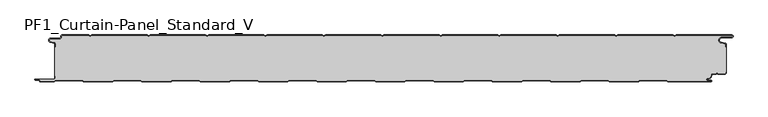
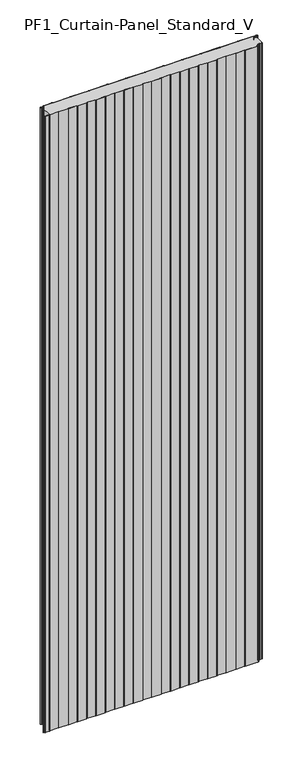
"""IFC4 building model written with IfcOpenShell, lengths in millimetres: plate geometry, PF1_Curtain-Panel_Standard_V."""

import ifcopenshell
import ifcopenshell.guid

model = None  # the IFC model being written
_history = None  # IfcOwnerHistory: only IFC2X3 demands one
_inside = {}  # id of a spatial element -> (the spatial element, [elements in it])
_under = {}  # id of a project, library or spatial element -> (it, [spatial elements below it])
_declared = {}  # id of a project -> (the project, [libraries it declares])
_typed = {}  # id of a type object -> (the type object, [elements of that type])
_made_of = {}  # id of a material, layer set ... -> (it, [elements and type objects made of it])


def new_model(schema):
    """Start an empty IFC model of exactly this schema.

    Asked for "IFC4X3", IfcOpenShell would pick the latest addendum, in which some entities
    have other attributes; the version numbers below select the first issue.
    IFC2X3 requires an IfcOwnerHistory on every rooted entity: one is made here for all.
    """
    global model, _history
    if schema == "IFC4X3":
        model = ifcopenshell.file(schema_version=(4, 3, 0, 0))
    else:
        model = ifcopenshell.file(schema=schema)
    _inside.clear()
    _under.clear()
    _declared.clear()
    _typed.clear()
    _made_of.clear()
    _history = None
    if model.schema == "IFC2X3":
        org = make("IfcOrganization", Name="unknown")
        user = make(
            "IfcPersonAndOrganization",
            ThePerson=make("IfcPerson", FamilyName="unknown"),
            TheOrganization=org,
        )
        app = make(
            "IfcApplication",
            ApplicationDeveloper=org,
            Version="unknown",
            ApplicationFullName="unknown",
            ApplicationIdentifier="unknown",
        )
        _history = make(
            "IfcOwnerHistory",
            OwningUser=user,
            OwningApplication=app,
            ChangeAction="ADDED",
            CreationDate=0,
        )
    return model


def make(cls, **values):
    """One entity of the class cls with the attributes given. An attribute that is None is left unset."""
    return model.create_entity(
        cls, **{name: value for name, value in values.items() if value is not None}
    )


def rooted(cls, **values):
    """An entity with a GlobalId (a new one), such as an element, a storey or a relation."""
    return make(cls, GlobalId=ifcopenshell.guid.new(), OwnerHistory=_history, **values)


def si_unit(unit_type, name, prefix=None):
    """IfcSIUnit, for example si_unit("LENGTHUNIT", "METRE", prefix="MILLI")."""
    return make("IfcSIUnit", UnitType=unit_type, Prefix=prefix, Name=name)


def assignment(units):
    """IfcUnitAssignment: the units of a project."""
    return None if units is None else make("IfcUnitAssignment", Units=units)


def point(xyz):
    """IfcCartesianPoint."""
    return None if xyz is None else make("IfcCartesianPoint", Coordinates=xyz)


def direction(xyz):
    """IfcDirection."""
    return None if xyz is None else make("IfcDirection", DirectionRatios=xyz)


def frame(location, z_axis=None, x_axis=None):
    """IfcAxis2Placement3D, a coordinate frame: its origin and axes. An axis left out is left unset."""
    return make(
        "IfcAxis2Placement3D",
        Location=point(location),
        Axis=direction(z_axis),
        RefDirection=direction(x_axis),
    )


def frame_2d(location, x_axis=None):
    """IfcAxis2Placement2D, a coordinate frame in the plane: its origin and x axis."""
    return make(
        "IfcAxis2Placement2D", Location=point(location), RefDirection=direction(x_axis)
    )


def origin():
    """The frame at (0, 0, 0) with its axes left unset."""
    return frame((0.0, 0.0, 0.0))


def origin_with_axes():
    """The frame at (0, 0, 0) with the z axis (0, 0, 1) and the x axis (1, 0, 0) written out."""
    return frame((0.0, 0.0, 0.0), z_axis=(0.0, 0.0, 1.0), x_axis=(1.0, 0.0, 0.0))


def place(relative_to, where):
    """IfcLocalPlacement: puts the frame where relative to a parent placement (None: the world)."""
    return make(
        "IfcLocalPlacement", PlacementRelTo=relative_to, RelativePlacement=where
    )


def context(
    kind, dimensions, precision=None, world=None, true_north=None, identifier=None
):
    """IfcGeometricRepresentationContext, for example the 3D "Model" context."""
    return make(
        "IfcGeometricRepresentationContext",
        ContextIdentifier=identifier,
        ContextType=kind,
        CoordinateSpaceDimension=dimensions,
        Precision=precision,
        WorldCoordinateSystem=world,
        TrueNorth=true_north,
    )


def project(units=None, contexts=None):
    """IfcProject with its units and contexts."""
    return rooted(
        "IfcProject",
        Name="project",
        RepresentationContexts=contexts,
        UnitsInContext=assignment(units),
    )


def spatial(cls, under=None, at=None, **own):
    """A site, building, storey or space (cls), placed at a placement, below another one or the project."""
    s = rooted(cls, ObjectPlacement=at, **own)
    if under is not None:
        _under.setdefault(under.id(), (under, []))[1].append(s)
    return s


def polyline(points):
    """IfcPolyline through the points."""
    return make("IfcPolyline", Points=[point(p) for p in points])


def circle_curve(where, radius):
    """IfcCircle in the frame where."""
    return make("IfcCircle", Position=where, Radius=radius)


def trimmed(basis, trim1, trim2, sense, master):
    """IfcTrimmedCurve: the piece of a basis curve between two trims."""
    return make(
        "IfcTrimmedCurve",
        BasisCurve=basis,
        Trim1=trim1,
        Trim2=trim2,
        SenseAgreement=sense,
        MasterRepresentation=master,
    )


def segment(curve, same_sense, transition):
    """IfcCompositeCurveSegment."""
    return make(
        "IfcCompositeCurveSegment",
        Transition=transition,
        SameSense=same_sense,
        ParentCurve=curve,
    )


def composite_curve(segments, self_intersect=None):
    """IfcCompositeCurve: segments joined end to end."""
    return make("IfcCompositeCurve", Segments=segments, SelfIntersect=self_intersect)


def outline(outer, holes=None, kind="AREA"):
    """IfcArbitraryClosedProfileDef: a profile drawn as a closed curve; with holes, ...WithVoids."""
    if holes is None:
        return make("IfcArbitraryClosedProfileDef", ProfileType=kind, OuterCurve=outer)
    return make(
        "IfcArbitraryProfileDefWithVoids",
        ProfileType=kind,
        OuterCurve=outer,
        InnerCurves=holes,
    )


def extrude(swept, where, along, depth):
    """IfcExtrudedAreaSolid: the profile swept, set in the frame where, extruded along a direction by depth."""
    return make(
        "IfcExtrudedAreaSolid",
        SweptArea=swept,
        Position=where,
        ExtrudedDirection=direction(along),
        Depth=depth,
    )


def shape(context_of_items, identifier, shape_type, items):
    """IfcShapeRepresentation: the items that make up one representation, for example the "Body"."""
    return make(
        "IfcShapeRepresentation",
        ContextOfItems=context_of_items,
        RepresentationIdentifier=identifier,
        RepresentationType=shape_type,
        Items=items,
    )


def source(mapping_origin, context_of_items, identifier, shape_type, items):
    """IfcRepresentationMap: a shape defined once, which mapped items show again and again."""
    return make(
        "IfcRepresentationMap",
        MappingOrigin=mapping_origin,
        MappedRepresentation=shape(context_of_items, identifier, shape_type, items),
    )


def transform(
    local_origin,
    x_axis=None,
    y_axis=None,
    z_axis=None,
    scale=None,
    scale2=None,
    scale3=None,
    uniform=True,
):
    """IfcCartesianTransformationOperator3D, or its non-uniform kind. x_axis, y_axis, z_axis: its Axis1, 2, 3."""
    if uniform:
        return make(
            "IfcCartesianTransformationOperator3D",
            Axis1=direction(x_axis),
            Axis2=direction(y_axis),
            LocalOrigin=point(local_origin),
            Scale=scale,
            Axis3=direction(z_axis),
        )
    return make(
        "IfcCartesianTransformationOperator3DnonUniform",
        Axis1=direction(x_axis),
        Axis2=direction(y_axis),
        LocalOrigin=point(local_origin),
        Scale=scale,
        Axis3=direction(z_axis),
        Scale2=scale2,
        Scale3=scale3,
    )


def mapped(mapping_source, mapping_target):
    """IfcMappedItem: shows the shape of a source again, moved by a transform."""
    return make(
        "IfcMappedItem", MappingSource=mapping_source, MappingTarget=mapping_target
    )


def made_of(thing, what):
    """Note that an element or type object is made of a material, layer set ...; save() writes the relation."""
    if what is not None:
        _made_of.setdefault(what.id(), (what, []))[1].append(thing)
    return thing


def element(
    cls,
    number,
    at=None,
    inside=None,
    cuts=None,
    type_object=None,
    material=None,
    context=None,
    identifier="Body",
    shape_type=None,
    held_by="IfcProductDefinitionShape",
    body=None,
    shapes=None,
    **own,
):
    """One element of the class cls, such as IfcWall. Its Tag is "e" and its number.

    at: its placement. inside: the storey or other place that contains it. cuts: it is an
    opening in that element (IfcRelVoidsElement). A single representation is given by context,
    identifier, shape_type and body (its items); several are given by shapes. held_by: the class
    of the entity that holds the representations. save() writes the other relations.
    """
    e = rooted(cls, Tag="e%d" % number, ObjectPlacement=at, **own)
    if body is not None:
        shapes = [shape(context, identifier, shape_type, body)]
    if shapes is not None:
        e.Representation = make(held_by, Representations=shapes)
    if inside is not None:
        _inside.setdefault(inside.id(), (inside, []))[1].append(e)
    if cuts is not None:
        rooted(
            "IfcRelVoidsElement", RelatingBuildingElement=cuts, RelatedOpeningElement=e
        )
    if type_object is not None:
        _typed.setdefault(type_object.id(), (type_object, []))[1].append(e)
    return made_of(e, material)


def aggregate(whole, parts):
    """IfcRelAggregates: a whole, such as a stair, and the parts it consists of."""
    return rooted("IfcRelAggregates", RelatingObject=whole, RelatedObjects=parts)


def save(model, path):
    """Write the relations noted so far, then the file.

    IfcRelAggregates (storeys below a building ...), IfcRelContainedInSpatialStructure (elements
    in a storey), IfcRelDefinesByType, IfcRelAssociatesMaterial and IfcRelDeclares: one each for
    every whole, place, type object, material and project.
    """
    for whole, parts in _under.values():
        aggregate(whole, parts)
    for where, things in _inside.values():
        rooted(
            "IfcRelContainedInSpatialStructure",
            RelatedElements=things,
            RelatingStructure=where,
        )
    for kind, things in _typed.values():
        rooted("IfcRelDefinesByType", RelatedObjects=things, RelatingType=kind)
    for what, things in _made_of.values():
        rooted("IfcRelAssociatesMaterial", RelatedObjects=things, RelatingMaterial=what)
    for by, libraries in _declared.values():
        rooted("IfcRelDeclares", RelatingContext=by, RelatedDefinitions=libraries)
    model.write(path)


def pf1_curtain_panel_standard_v_10361d5f(model_context):
    return source(origin(), model_context, "Body", "SweptSolid", [
        extrude(outline(composite_curve([segment(trimmed(circle_curve(frame_2d((-577.0, -15.878557)), 2.0), [point((-575.0, -15.878557))], [point((-576.5500978, -13.9298169))], True, "CARTESIAN"), True, "CONTINUOUS"), segment(polyline([(-576.5500978, -13.9298169), (-582.7098239, -12.507732)]), True, "CONTINUOUS"), segment(trimmed(circle_curve(frame_2d((-581.9, -9.0)), 3.6), [point((-582.7098239, -12.507732))], [point((-581.9, -5.4))], False, "CARTESIAN"), True, "CONTINUOUS"), segment(polyline([(-581.9, -5.4), (-566.4, -5.4)]), True, "CONTINUOUS"), segment(trimmed(circle_curve(frame_2d((-566.4, -3.4)), 2.0), [point((-566.4, -5.4))], [point((-564.4, -3.4))], True, "CARTESIAN"), True, "CONTINUOUS"), segment(polyline([(-564.4, -3.4), (-564.4, -2.0)]), True, "CONTINUOUS"), segment(trimmed(circle_curve(frame_2d((-562.4, -2.0)), 2.0), [point((-564.4, -2.0))], [point((-562.4, 0.0))], False, "CARTESIAN"), True, "CONTINUOUS"), segment(polyline([(-562.4, 0.0), (-517.0999995, 0.0), (-514.4, -1.5588455), (-511.7000005, 0.0), (-417.0999995, 0.0), (-414.4, -1.5588455), (-411.7000005, 0.0), (-317.0999995, 0.0), (-314.4, -1.5588455), (-311.7000005, 0.0), (-217.0999995, 0.0), (-214.4, -1.5588455), (-211.7000005, 0.0), (-117.0999995, 0.0), (-114.4, -1.5588455), (-111.7000005, 0.0), (-17.0999995, 0.0), (-14.4, -1.5588455), (-11.7000005, 0.0), (82.9000005, 0.0), (85.6, -1.5588455), (88.2999995, 0.0), (182.9000005, 0.0), (185.6, -1.5588455), (188.2999995, 0.0), (282.9000005, 0.0), (285.6, -1.5588455), (288.2999995, 0.0), (382.9000005, 0.0), (385.6, -1.5588455), (388.2999995, 0.0), (482.9000005, 0.0), (485.6, -1.5588455), (488.2999995, 0.0), (583.268846, 0.0)]), True, "CONTINUOUS"), segment(trimmed(circle_curve(frame_2d((583.268846, -2.5)), 2.5), [point((583.268846, 0.0))], [point((583.268846, -5.0))], False, "CARTESIAN"), True, "CONTINUOUS"), segment(polyline([(583.268846, -5.0), (566.268846, -5.0)]), True, "CONTINUOUS"), segment(trimmed(circle_curve(frame_2d((566.268846, -9.0)), 4.0), [point((566.268846, -5.0))], [point((565.574253, -12.939231))], True, "CARTESIAN"), True, "CONTINUOUS"), segment(polyline([(565.574253, -12.939231), (572.0203315, -14.0758491)]), True, "CONTINUOUS"), segment(trimmed(circle_curve(frame_2d((571.568846, -16.6363492)), 2.6), [point((572.0203315, -14.0758491))], [point((574.168846, -16.6363492))], False, "CARTESIAN"), True, "CONTINUOUS"), segment(polyline([(574.168846, -16.6363492), (574.168846, -20.0), (573.368846, -20.0), (573.368846, -16.6363492)]), True, "CONTINUOUS"), segment(trimmed(circle_curve(frame_2d((571.568846, -16.6363492)), 1.8), [point((573.368846, -16.6363492))], [point((571.8814129, -14.8636953))], True, "CARTESIAN"), True, "CONTINUOUS"), segment(polyline([(571.8814129, -14.8636953), (565.4353344, -13.7270772)]), True, "CONTINUOUS"), segment(trimmed(circle_curve(frame_2d((566.268846, -9.0)), 4.8), [point((565.4353344, -13.7270772))], [point((566.268846, -4.2))], False, "CARTESIAN"), True, "CONTINUOUS"), segment(polyline([(566.268846, -4.2), (583.268846, -4.2)]), True, "CONTINUOUS"), segment(trimmed(circle_curve(frame_2d((583.268846, -2.5)), 1.7), [point((583.268846, -4.2))], [point((583.268846, -0.8))], True, "CARTESIAN"), True, "CONTINUOUS"), segment(polyline([(583.268846, -0.8), (488.5143588, -0.8), (485.6, -2.482606), (482.6856412, -0.8), (388.5143588, -0.8), (385.6, -2.482606), (382.6856412, -0.8), (288.5143588, -0.8), (285.6, -2.482606), (282.6856412, -0.8), (188.5143588, -0.8), (185.6, -2.482606), (182.6856412, -0.8), (88.5143588, -0.8), (85.6, -2.482606), (82.6856412, -0.8), (-11.4856412, -0.8), (-14.4, -2.482606), (-17.3143588, -0.8), (-111.4856412, -0.8), (-114.4, -2.482606), (-117.3143588, -0.8), (-211.4856412, -0.8), (-214.4, -2.482606), (-217.3143588, -0.8), (-311.4856412, -0.8), (-314.4, -2.482606), (-317.3143588, -0.8), (-411.4856412, -0.8), (-414.4, -2.482606), (-417.3143588, -0.8), (-511.4856412, -0.8), (-514.4, -2.482606), (-517.3143588, -0.8), (-562.4, -0.8)]), True, "CONTINUOUS"), segment(trimmed(circle_curve(frame_2d((-562.4, -2.0)), 1.2), [point((-562.4, -0.8))], [point((-563.6, -2.0))], True, "CARTESIAN"), True, "CONTINUOUS"), segment(polyline([(-563.6, -2.0), (-563.6, -3.4)]), True, "CONTINUOUS"), segment(trimmed(circle_curve(frame_2d((-566.4, -3.4)), 2.8), [point((-563.6, -3.4))], [point((-566.4, -6.2))], False, "CARTESIAN"), True, "CONTINUOUS"), segment(polyline([(-566.4, -6.2), (-581.9, -6.2)]), True, "CONTINUOUS"), segment(trimmed(circle_curve(frame_2d((-581.9, -9.0)), 2.8), [point((-581.9, -6.2))], [point((-582.529863, -11.7282362))], True, "CARTESIAN"), True, "CONTINUOUS"), segment(polyline([(-582.529863, -11.7282362), (-576.370137, -13.150321)]), True, "CONTINUOUS"), segment(trimmed(circle_curve(frame_2d((-577.0, -15.878557)), 2.8), [point((-576.370137, -13.150321))], [point((-574.2, -15.878557))], False, "CARTESIAN"), True, "CONTINUOUS"), segment(polyline([(-574.2, -15.878557), (-574.2, -20.0), (-575.0, -20.0), (-575.0, -15.878557)]), True, "CONTINUOUS")], self_intersect=False)), origin_with_axes(), (0.0, 0.0, 1.0), 3500.0),
        extrude(outline(composite_curve([segment(polyline([(-574.2, -70.0), (-575.0, -70.0), (-575.0, -20.0), (-574.2, -20.0), (-574.2, -15.878557)]), True, "CONTINUOUS"), segment(trimmed(circle_curve(frame_2d((-577.0, -15.878557)), 2.8), [point((-574.2, -15.878557))], [point((-576.370137, -13.1503208))], True, "CARTESIAN"), True, "CONTINUOUS"), segment(polyline([(-576.370137, -13.1503208), (-582.529863, -11.7282362)]), True, "CONTINUOUS"), segment(trimmed(circle_curve(frame_2d((-581.9, -9.0)), 2.8), [point((-582.529863, -11.7282362))], [point((-581.9, -6.2))], False, "CARTESIAN"), True, "CONTINUOUS"), segment(polyline([(-581.9, -6.2), (-566.4, -6.2)]), True, "CONTINUOUS"), segment(trimmed(circle_curve(frame_2d((-566.4, -3.4)), 2.8), [point((-566.4, -6.2))], [point((-563.6, -3.4))], True, "CARTESIAN"), True, "CONTINUOUS"), segment(polyline([(-563.6, -3.4), (-563.6, -2.0)]), True, "CONTINUOUS"), segment(trimmed(circle_curve(frame_2d((-562.4, -2.0)), 1.2), [point((-563.6, -2.0))], [point((-562.4, -0.8))], False, "CARTESIAN"), True, "CONTINUOUS"), segment(polyline([(-562.4, -0.8), (-517.3143588, -0.8), (-514.4, -2.482606), (-511.4856412, -0.8), (-417.3143588, -0.8), (-414.4, -2.482606), (-411.4856412, -0.8), (-317.3143588, -0.8), (-314.4, -2.482606), (-311.4856412, -0.8), (-217.3143588, -0.8), (-214.4, -2.482606), (-211.4856412, -0.8), (-117.3143588, -0.8), (-114.4, -2.482606), (-111.4856412, -0.8), (-17.3143588, -0.8), (-14.4, -2.482606), (-11.4856412, -0.8), (82.6856412, -0.8), (85.6, -2.482606), (88.5143588, -0.8), (182.6856412, -0.8), (185.6, -2.482606), (188.5143588, -0.8), (282.6856412, -0.8), (285.6, -2.482606), (288.5143588, -0.8), (382.6856412, -0.8), (385.6, -2.482606), (388.5143588, -0.8), (482.6856412, -0.8), (485.6, -2.482606), (488.5143588, -0.8), (583.268846, -0.8)]), True, "CONTINUOUS"), segment(trimmed(circle_curve(frame_2d((583.268846, -2.5)), 1.7), [point((583.268846, -0.8))], [point((583.268846, -4.2))], False, "CARTESIAN"), True, "CONTINUOUS"), segment(polyline([(583.268846, -4.2), (566.268846, -4.2)]), True, "CONTINUOUS"), segment(trimmed(circle_curve(frame_2d((566.268846, -9.0)), 4.8), [point((566.268846, -4.2))], [point((565.4353344, -13.7270772))], True, "CARTESIAN"), True, "CONTINUOUS"), segment(polyline([(565.4353344, -13.7270772), (571.8814129, -14.8636953)]), True, "CONTINUOUS"), segment(trimmed(circle_curve(frame_2d((571.568846, -16.6363492)), 1.8), [point((571.8814129, -14.8636953))], [point((573.368846, -16.6363492))], False, "CARTESIAN"), True, "CONTINUOUS"), segment(polyline([(573.368846, -16.6363492), (573.368846, -20.0), (574.168846, -20.0), (574.168846, -63.0), (573.368846, -63.0), (573.368846, -64.4)]), True, "CONTINUOUS"), segment(trimmed(circle_curve(frame_2d((571.568846, -64.4)), 1.8), [point((573.368846, -64.4))], [point((571.568846, -66.2))], False, "CARTESIAN"), True, "CONTINUOUS"), segment(polyline([(571.568846, -66.2), (560.0002158, -66.2), (558.168846, -64.3686285), (556.3374762, -66.2), (550.168846, -66.2)]), True, "CONTINUOUS"), segment(trimmed(circle_curve(frame_2d((550.168846, -68.0)), 1.8), [point((550.168846, -66.2))], [point((548.368846, -68.0))], True, "CARTESIAN"), True, "CONTINUOUS"), segment(polyline([(548.368846, -68.0), (548.368846, -68.8276204)]), True, "CONTINUOUS"), segment(trimmed(circle_curve(frame_2d((542.9964664, -68.8276204)), 5.3723796), [point((548.368846, -68.8276204))], [point((542.9964664, -74.2))], False, "CARTESIAN"), True, "CONTINUOUS"), segment(polyline([(542.9964664, -74.2), (542.168846, -74.2)]), True, "CONTINUOUS"), segment(trimmed(circle_curve(frame_2d((542.168846, -76.4)), 2.2), [point((542.168846, -74.2))], [point((542.168846, -78.6))], True, "CARTESIAN"), True, "CONTINUOUS"), segment(polyline([(542.168846, -78.6), (548.0579973, -78.6)]), True, "CONTINUOUS"), segment(trimmed(circle_curve(frame_2d((548.0579973, -78.9)), 0.3), [point((548.0579973, -78.6))], [point((548.0579973, -79.2))], False, "CARTESIAN"), True, "CONTINUOUS"), segment(polyline([(548.0579973, -79.2), (474.2152562, -79.2), (471.6171786, -77.7), (426.3884624, -77.7), (423.7903848, -79.2), (374.2152562, -79.2), (371.6171786, -77.7), (326.3884624, -77.7), (323.7903848, -79.2), (274.2152562, -79.2), (271.6171786, -77.7), (226.3884624, -77.7), (223.7903848, -79.2), (174.2152562, -79.2), (171.6171786, -77.7), (126.3884624, -77.7), (123.7903848, -79.2), (74.2152562, -79.2), (71.6171786, -77.7), (26.3884624, -77.7), (23.7903848, -79.2), (-25.7847438, -79.2), (-28.3828214, -77.7), (-73.6115376, -77.7), (-76.2096152, -79.2), (-125.7847438, -79.2), (-128.3828214, -77.7), (-173.6115376, -77.7), (-176.2096152, -79.2), (-225.7847438, -79.2), (-228.3828214, -77.7), (-273.6115376, -77.7), (-276.2096152, -79.2), (-325.7847438, -79.2), (-328.3828214, -77.7), (-373.6115376, -77.7), (-376.2096152, -79.2), (-425.7847438, -79.2), (-428.3828214, -77.7), (-473.6115376, -77.7), (-476.2096152, -79.2), (-525.7847438, -79.2), (-528.3828214, -77.7), (-573.6115376, -77.7), (-576.2096152, -79.2), (-599.4, -79.2)]), True, "CONTINUOUS"), segment(trimmed(circle_curve(frame_2d((-599.4, -78.4)), 0.8), [point((-599.4, -79.2))], [point((-600.2, -78.4))], False, "CARTESIAN"), True, "CONTINUOUS"), segment(trimmed(circle_curve(frame_2d((-601.9, -78.6133333)), 1.7133333), [point((-600.2, -78.4))], [point((-601.9, -76.9))], True, "CARTESIAN"), True, "CONTINUOUS"), segment(polyline([(-601.9, -76.9), (-607.8700312, -76.9)]), True, "CONTINUOUS"), segment(trimmed(circle_curve(frame_2d((-607.8700312, -76.6)), 0.3), [point((-607.8700312, -76.9))], [point((-607.8700312, -76.3))], False, "CARTESIAN"), True, "CONTINUOUS"), segment(polyline([(-607.8700312, -76.3), (-577.0, -76.3)]), True, "CONTINUOUS"), segment(trimmed(circle_curve(frame_2d((-577.0, -73.5)), 2.8), [point((-577.0, -76.3))], [point((-574.2, -73.5))], True, "CARTESIAN"), True, "CONTINUOUS"), segment(polyline([(-574.2, -73.5), (-574.2, -70.0)]), True, "CONTINUOUS")], self_intersect=False)), origin_with_axes(), (0.0, 0.0, 1.0), 3500.0),
        extrude(outline(composite_curve([segment(polyline([(-575.0, -70.0), (-574.2, -70.0), (-574.2, -73.5)]), True, "CONTINUOUS"), segment(trimmed(circle_curve(frame_2d((-577.0, -73.5)), 2.8), [point((-574.2, -73.5))], [point((-577.0, -76.3))], False, "CARTESIAN"), True, "CONTINUOUS"), segment(polyline([(-577.0, -76.3), (-607.8700312, -76.3)]), True, "CONTINUOUS"), segment(trimmed(circle_curve(frame_2d((-607.8700312, -76.6)), 0.3), [point((-607.8700312, -76.3))], [point((-607.8700312, -76.9))], True, "CARTESIAN"), True, "CONTINUOUS"), segment(polyline([(-607.8700312, -76.9), (-601.9, -76.9)]), True, "CONTINUOUS"), segment(trimmed(circle_curve(frame_2d((-601.9, -78.6133333)), 1.7133333), [point((-601.9, -76.9))], [point((-600.2, -78.4))], False, "CARTESIAN"), True, "CONTINUOUS"), segment(trimmed(circle_curve(frame_2d((-599.4, -78.4)), 0.8), [point((-600.2, -78.4))], [point((-599.4, -79.2))], True, "CARTESIAN"), True, "CONTINUOUS"), segment(polyline([(-599.4, -79.2), (-576.2096152, -79.2), (-573.6115376, -77.7), (-528.3828214, -77.7), (-525.7847438, -79.2), (-476.2096152, -79.2), (-473.6115376, -77.7), (-428.3828214, -77.7), (-425.7847438, -79.2), (-376.2096152, -79.2), (-373.6115376, -77.7), (-328.3828214, -77.7), (-325.7847438, -79.2), (-276.2096152, -79.2), (-273.6115376, -77.7), (-228.3828214, -77.7), (-225.7847438, -79.2), (-176.2096152, -79.2), (-173.6115376, -77.7), (-128.3828214, -77.7), (-125.7847438, -79.2), (-76.2096152, -79.2), (-73.6115376, -77.7), (-28.3828214, -77.7), (-25.7847438, -79.2), (23.7903848, -79.2), (26.3884624, -77.7), (71.6171786, -77.7), (74.2152562, -79.2), (123.7903848, -79.2), (126.3884624, -77.7), (171.6171786, -77.7), (174.2152562, -79.2), (223.7903848, -79.2), (226.3884624, -77.7), (271.6171786, -77.7), (274.2152562, -79.2), (323.7903848, -79.2), (326.3884624, -77.7), (371.6171786, -77.7), (374.2152562, -79.2), (423.7903848, -79.2), (426.3884624, -77.7), (471.6171786, -77.7), (474.2152562, -79.2), (548.0579973, -79.2)]), True, "CONTINUOUS"), segment(trimmed(circle_curve(frame_2d((548.0579973, -78.9)), 0.3), [point((548.0579973, -79.2))], [point((548.0579973, -78.6))], True, "CARTESIAN"), True, "CONTINUOUS"), segment(polyline([(548.0579973, -78.6), (542.168846, -78.6)]), True, "CONTINUOUS"), segment(trimmed(circle_curve(frame_2d((542.168846, -76.4)), 2.2), [point((542.168846, -78.6))], [point((542.168846, -74.2))], False, "CARTESIAN"), True, "CONTINUOUS"), segment(polyline([(542.168846, -74.2), (542.9964664, -74.2)]), True, "CONTINUOUS"), segment(trimmed(circle_curve(frame_2d((542.9964664, -68.8276204)), 5.3723796), [point((542.9964664, -74.2))], [point((548.368846, -68.8276204))], True, "CARTESIAN"), True, "CONTINUOUS"), segment(polyline([(548.368846, -68.8276204), (548.368846, -68.0)]), True, "CONTINUOUS"), segment(trimmed(circle_curve(frame_2d((550.168846, -68.0)), 1.8), [point((548.368846, -68.0))], [point((550.168846, -66.2))], False, "CARTESIAN"), True, "CONTINUOUS"), segment(polyline([(550.168846, -66.2), (556.3374762, -66.2), (558.168846, -64.3686285), (560.0002158, -66.2), (571.568846, -66.2)]), True, "CONTINUOUS"), segment(trimmed(circle_curve(frame_2d((571.568846, -64.4)), 1.8), [point((571.568846, -66.2))], [point((573.368846, -64.4))], True, "CARTESIAN"), True, "CONTINUOUS"), segment(polyline([(573.368846, -64.4), (573.368846, -63.0), (574.168846, -63.0), (574.168846, -64.4)]), True, "CONTINUOUS"), segment(trimmed(circle_curve(frame_2d((571.568846, -64.4)), 2.6), [point((574.168846, -64.4))], [point((571.568846, -67.0))], False, "CARTESIAN"), True, "CONTINUOUS"), segment(polyline([(571.568846, -67.0), (559.6688448, -67.0), (558.168846, -65.4999999), (556.6688472, -67.0), (550.168846, -67.0)]), True, "CONTINUOUS"), segment(trimmed(circle_curve(frame_2d((550.168846, -68.0)), 1.0), [point((550.168846, -67.0))], [point((549.168846, -68.0))], True, "CARTESIAN"), True, "CONTINUOUS"), segment(polyline([(549.168846, -68.0), (549.168846, -68.8276204)]), True, "CONTINUOUS"), segment(trimmed(circle_curve(frame_2d((542.9964664, -68.8276204)), 6.1723796), [point((549.168846, -68.8276204))], [point((542.9964664, -75.0))], False, "CARTESIAN"), True, "CONTINUOUS"), segment(polyline([(542.9964664, -75.0), (542.168846, -75.0)]), True, "CONTINUOUS"), segment(trimmed(circle_curve(frame_2d((542.168846, -76.5)), 1.5), [point((542.168846, -75.0))], [point((542.168846, -78.0))], True, "CARTESIAN"), True, "CONTINUOUS"), segment(polyline([(542.168846, -78.0), (548.168846, -78.0)]), True, "CONTINUOUS"), segment(trimmed(circle_curve(frame_2d((548.168846, -79.0)), 1.0), [point((548.168846, -78.0))], [point((548.168846, -80.0))], False, "CARTESIAN"), True, "CONTINUOUS"), segment(polyline([(548.168846, -80.0), (474.0008969, -80.0), (471.4028193, -78.5), (426.6028217, -78.5), (424.0047441, -80.0), (374.0008969, -80.0), (371.4028193, -78.5), (326.6028217, -78.5), (324.0047441, -80.0), (274.0008969, -80.0), (271.4028193, -78.5), (226.6028217, -78.5), (224.0047441, -80.0), (174.0008969, -80.0), (171.4028193, -78.5), (126.6028217, -78.5), (124.0047441, -80.0), (74.0008969, -80.0), (71.4028193, -78.5), (26.6028217, -78.5), (24.0047441, -80.0), (-25.9991031, -80.0), (-28.5971807, -78.5), (-73.3971783, -78.5), (-75.9952559, -80.0), (-125.9991031, -80.0), (-128.5971807, -78.5), (-173.3971783, -78.5), (-175.9952559, -80.0), (-225.9991031, -80.0), (-228.5971807, -78.5), (-273.3971783, -78.5), (-275.9952559, -80.0), (-325.9991031, -80.0), (-328.5971807, -78.5), (-373.3971783, -78.5), (-375.9952559, -80.0), (-425.9991031, -80.0), (-428.5971807, -78.5), (-473.3971783, -78.5), (-475.9952559, -80.0), (-525.9991031, -80.0), (-528.5971807, -78.5), (-573.3971783, -78.5), (-575.9952559, -80.0), (-599.4, -80.0)]), True, "CONTINUOUS"), segment(trimmed(circle_curve(frame_2d((-599.4, -78.4)), 1.6), [point((-599.4, -80.0))], [point((-601.0, -78.4))], False, "CARTESIAN"), True, "CONTINUOUS"), segment(trimmed(circle_curve(frame_2d((-601.9, -78.4)), 0.9), [point((-601.0, -78.4))], [point((-601.9, -77.5))], True, "CARTESIAN"), True, "CONTINUOUS"), segment(polyline([(-601.9, -77.5), (-608.0, -77.5)]), True, "CONTINUOUS"), segment(trimmed(circle_curve(frame_2d((-608.0, -76.5)), 1.0), [point((-608.0, -77.5))], [point((-608.0, -75.5))], False, "CARTESIAN"), True, "CONTINUOUS"), segment(polyline([(-608.0, -75.5), (-577.0, -75.5)]), True, "CONTINUOUS"), segment(trimmed(circle_curve(frame_2d((-577.0, -73.5)), 2.0), [point((-577.0, -75.5))], [point((-575.0, -73.5))], True, "CARTESIAN"), True, "CONTINUOUS"), segment(polyline([(-575.0, -73.5), (-575.0, -70.0)]), True, "CONTINUOUS")], self_intersect=False)), origin_with_axes(), (0.0, 0.0, 1.0), 3500.0),
    ])


if __name__ == "__main__":
    model = new_model("IFC4")
    model_context = context("Model", 3, world=origin())
    ifc_project = project(units=[si_unit("LENGTHUNIT", "METRE", prefix="MILLI")], contexts=[model_context])
    site = spatial("IfcSite", under=ifc_project)
    building = spatial("IfcBuilding", under=site)
    placement = place(None, origin())
    pf1_curtain_panel_standard_v_shape = pf1_curtain_panel_standard_v_10361d5f(model_context)
    element("IfcPlate", 1, ObjectType="PF1_Curtain-Panel_Standard_V", at=placement, inside=building, context=model_context, shape_type="MappedRepresentation", body=[
        mapped(pf1_curtain_panel_standard_v_shape, transform((0.0, 0.0, 0.0), x_axis=(1.0, 0.0, 0.0), y_axis=(0.0, 1.0, 0.0), z_axis=(0.0, 0.0, 1.0))),
    ])
    save(model, "model.ifc")
